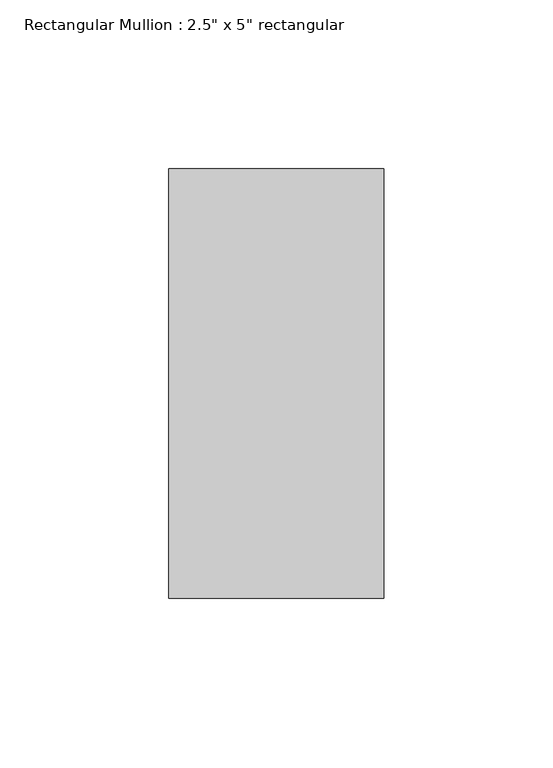
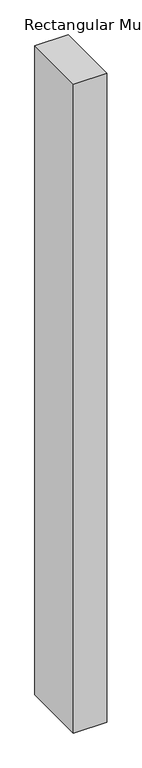
"""IFC4 building model written with IfcOpenShell, lengths in millimetres: member geometry."""

from ifc_helpers import new_model, si_unit, frame, origin, place, context, project, spatial, polyline, outline, extrude, source, transform, mapped, element, save


def member_46a53878(model_context):
    return source(origin(), model_context, "Body", "SweptSolid", [
        extrude(outline(polyline([(0.0, 63.5), (0.0, -63.5), (-63.5, -63.5), (-63.5, 63.5), (0.0, 63.5)])), frame((0.0, 0.0, -1306.8183586), z_axis=(0.0, 0.0, 1.0), x_axis=(1.0, 0.0, 0.0)), (0.0, 0.0, 1.0), 1306.8183586),
    ])


if __name__ == "__main__":
    model = new_model("IFC4")
    model_context = context("Model", 3, world=origin())
    ifc_project = project(units=[si_unit("LENGTHUNIT", "METRE", prefix="MILLI")], contexts=[model_context])
    site = spatial("IfcSite", under=ifc_project)
    building = spatial("IfcBuilding", under=site)
    placement = place(None, origin())
    member_shape = member_46a53878(model_context)
    element("IfcMember", 1, ObjectType="Rectangular Mullion : 2.5\" x 5\" rectangular", at=placement, inside=building, context=model_context, shape_type="MappedRepresentation", body=[
        mapped(member_shape, transform((0.0, 0.0, 0.0), x_axis=(1.0, 0.0, 0.0), y_axis=(0.0, 1.0, 0.0), z_axis=(0.0, 0.0, 1.0))),
    ])
    save(model, "model.ifc")
